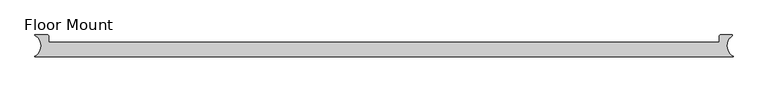
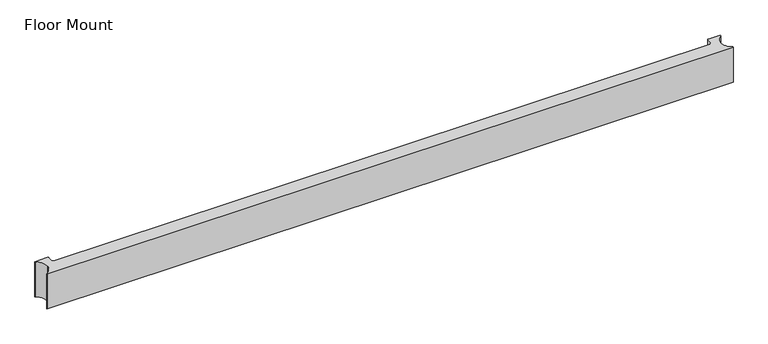
"""IFC4 building model written with IfcOpenShell, lengths in millimetres: furniture geometry, Floor Mount."""

from ifc_helpers import new_model, si_unit, point, frame, frame_2d, origin, place, context, project, spatial, polyline, circle_curve, trimmed, segment, composite_curve, outline, extrude, source, transform, mapped, element, save


def floor_mount_57143763(model_context):
    return source(origin(), model_context, "Body", "SweptSolid", [
        extrude(outline(composite_curve([segment(polyline([(48.7890429, 65.9122423), (48.7890429, 67.0269936), (82.6409259, 67.0269936)]), True, "CONTINUOUS"), segment(trimmed(circle_curve(frame_2d((82.6409259, 64.4869936)), 2.54), [point((82.6409259, 67.0269936))], [point((85.1809259, 64.4869936))], False, "CARTESIAN"), True, "CONTINUOUS"), segment(polyline([(85.1809259, 64.4869936), (85.1809259, 50.9358586)]), True, "CONTINUOUS"), segment(trimmed(circle_curve(frame_2d((88.9909259, 50.9358586)), 3.81), [point((85.1809259, 50.9358586))], [point((88.9909259, 47.1258586))], True, "CARTESIAN"), True, "CONTINUOUS"), segment(polyline([(88.9909259, 47.1258586), (1874.8644751, 47.1258586)]), True, "CONTINUOUS"), segment(trimmed(circle_curve(frame_2d((1874.8644751, 50.9358586)), 3.81), [point((1874.8644751, 47.1258586))], [point((1878.6744751, 50.9358586))], True, "CARTESIAN"), True, "CONTINUOUS"), segment(polyline([(1878.6744751, 50.9358586), (1878.6744751, 64.4870179)]), True, "CONTINUOUS"), segment(trimmed(circle_curve(frame_2d((1881.2144751, 64.4870179)), 2.54), [point((1878.6744751, 64.4870179))], [point((1881.2144751, 67.0270179))], False, "CARTESIAN"), True, "CONTINUOUS"), segment(polyline([(1881.2144751, 67.0270179), (1913.3888957, 67.0270179), (1913.3888957, 64.9340912)]), True, "CONTINUOUS"), segment(trimmed(circle_curve(frame_2d((1930.2266912, 38.0166035)), 31.75), [point((1913.3888957, 64.9340912))], [point((1898.4766912, 38.0166035))], True, "CARTESIAN"), True, "CONTINUOUS"), segment(trimmed(circle_curve(frame_2d((1930.2266912, 38.0166035)), 31.75), [point((1898.4766912, 38.0166035))], [point((1915.1924011, 10.0517573))], True, "CARTESIAN"), True, "CONTINUOUS"), segment(polyline([(1915.1924011, 10.0517573), (1915.1924011, 9.0285958), (48.7890429, 9.0285958), (48.7890429, 10.1209648)]), True, "CONTINUOUS"), segment(trimmed(circle_curve(frame_2d((33.6267265, 38.0166035)), 31.75), [point((48.7890429, 10.1209648))], [point((65.3767265, 38.0166035))], True, "CARTESIAN"), True, "CONTINUOUS"), segment(trimmed(circle_curve(frame_2d((33.6267265, 38.0166035)), 31.75), [point((65.3767265, 38.0166035))], [point((48.7890429, 65.9122423))], True, "CARTESIAN"), True, "CONTINUOUS")], self_intersect=False)), frame((0.0, 0.0, 1601.8225754), z_axis=(0.0, 0.0, 1.0), x_axis=(1.0, 0.0, 0.0)), (0.0, 0.0, 1.0), 100.9320175),
    ])


if __name__ == "__main__":
    model = new_model("IFC4")
    model_context = context("Model", 3, world=origin())
    ifc_project = project(units=[si_unit("LENGTHUNIT", "METRE", prefix="MILLI")], contexts=[model_context])
    site = spatial("IfcSite", under=ifc_project)
    building = spatial("IfcBuilding", under=site)
    placement = place(None, origin())
    floor_mount_shape = floor_mount_57143763(model_context)
    element("IfcFurniture", 1, ObjectType="Floor Mount", at=placement, inside=building, context=model_context, shape_type="MappedRepresentation", body=[
        mapped(floor_mount_shape, transform((0.0, 0.0, 0.0), x_axis=(1.0, 0.0, 0.0), y_axis=(0.0, 1.0, 0.0), z_axis=(0.0, 0.0, 1.0))),
    ])
    save(model, "model.ifc")
